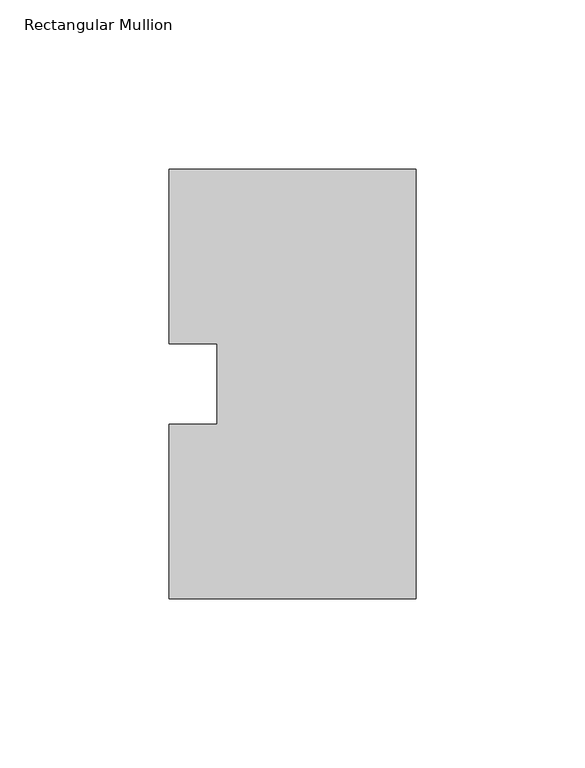
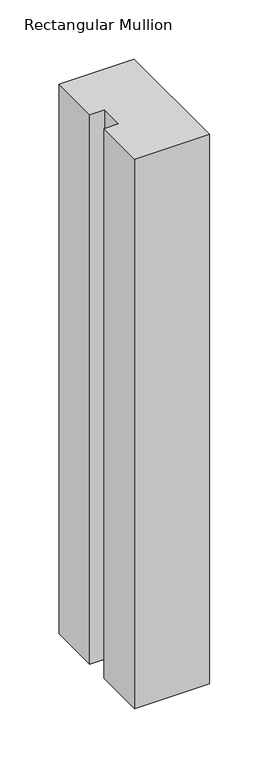
"""IFC4 building model written with IfcOpenShell, lengths in millimetres: member geometry, Rectangular Mullion."""

from ifc_helpers import new_model, si_unit, frame, origin, place, context, project, spatial, polyline, outline, extrude, source, transform, mapped, element, save


def rectangular_mullion_777f349d(model_context):
    return source(origin(), model_context, "Body", "SweptSolid", [
        extrude(outline(polyline([(0.0, 127.00635), (0.0, 0.00635), (-73.025, 0.00635), (-73.025, 51.60645), (-58.7375, 51.60645), (-58.7375, 75.40625), (-73.025, 75.40625), (-73.025, 127.00635), (0.0, 127.00635)])), frame((0.0, 0.0, -565.1928128), z_axis=(0.0, 0.0, 1.0), x_axis=(1.0, 0.0, 0.0)), (0.0, 0.0, 1.0), 565.1928128),
    ])


if __name__ == "__main__":
    model = new_model("IFC4")
    model_context = context("Model", 3, world=origin())
    ifc_project = project(units=[si_unit("LENGTHUNIT", "METRE", prefix="MILLI")], contexts=[model_context])
    site = spatial("IfcSite", under=ifc_project)
    building = spatial("IfcBuilding", under=site)
    placement = place(None, origin())
    rectangular_mullion_shape = rectangular_mullion_777f349d(model_context)
    element("IfcMember", 1, ObjectType="Rectangular Mullion", at=placement, inside=building, context=model_context, shape_type="MappedRepresentation", body=[
        mapped(rectangular_mullion_shape, transform((0.0, 0.0, 0.0), x_axis=(1.0, 0.0, 0.0), y_axis=(0.0, 1.0, 0.0), z_axis=(0.0, 0.0, 1.0))),
    ])
    save(model, "model.ifc")
